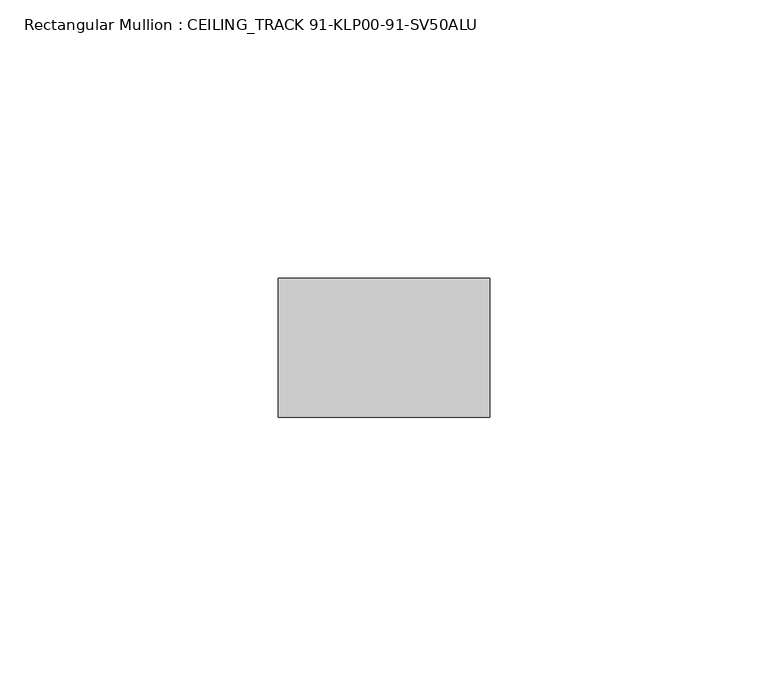
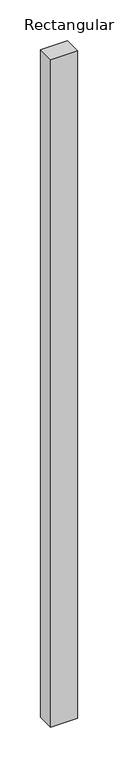
"""IFC4 building model written with IfcOpenShell, lengths in millimetres: member geometry, Rectangular Mullion : CEILING_TRACK 91-KLP00-91-SV50ALU."""

from ifc_helpers import new_model, si_unit, frame, origin, place, context, project, spatial, polyline, outline, extrude, source, transform, mapped, element, save


def rectangular_mullion_ceiling_track_91_klp00_91_sv50alu_f42b0f07(model_context):
    return source(origin(), model_context, "Body", "SweptSolid", [
        extrude(outline(polyline([(0.0, -12.5), (-38.0, -12.5), (-38.0, 12.5), (0.0, 12.5), (0.0, -12.5)])), frame((0.0, 0.0, -1000.0), z_axis=(0.0, 0.0, 1.0), x_axis=(1.0, 0.0, 0.0)), (0.0, 0.0, 1.0), 1000.0),
    ])


if __name__ == "__main__":
    model = new_model("IFC4")
    model_context = context("Model", 3, world=origin())
    ifc_project = project(units=[si_unit("LENGTHUNIT", "METRE", prefix="MILLI")], contexts=[model_context])
    site = spatial("IfcSite", under=ifc_project)
    building = spatial("IfcBuilding", under=site)
    placement = place(None, origin())
    rectangular_mullion_ceiling_track_91_klp00_91_sv50alu_shape = rectangular_mullion_ceiling_track_91_klp00_91_sv50alu_f42b0f07(model_context)
    element("IfcMember", 1, ObjectType="Rectangular Mullion : CEILING_TRACK 91-KLP00-91-SV50ALU", at=placement, inside=building, context=model_context, shape_type="MappedRepresentation", body=[
        mapped(rectangular_mullion_ceiling_track_91_klp00_91_sv50alu_shape, transform((0.0, 0.0, 0.0), x_axis=(1.0, 0.0, 0.0), y_axis=(0.0, 1.0, 0.0), z_axis=(0.0, 0.0, 1.0))),
    ])
    save(model, "model.ifc")
